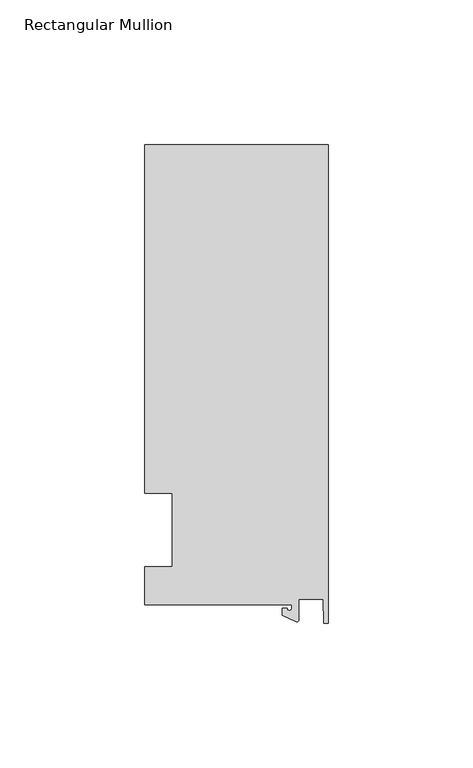
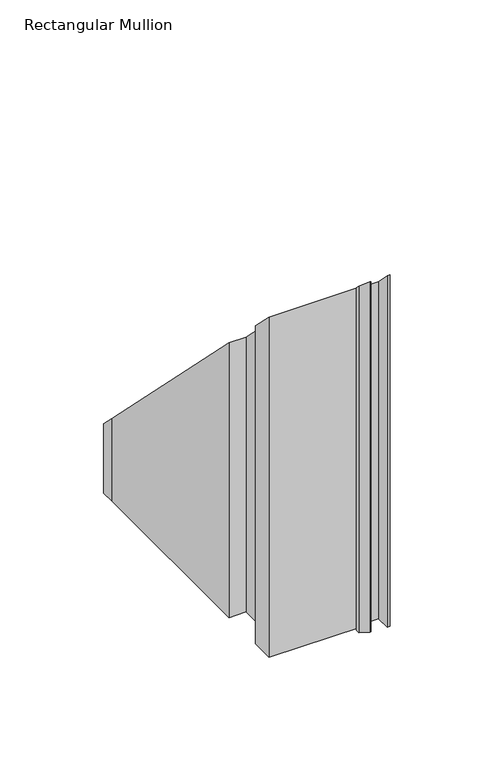
"""IFC4 building model written with IfcOpenShell, lengths in millimetres: member geometry, Rectangular Mullion."""

from ifc_helpers import new_model, si_unit, frame, origin, place, context, project, spatial, polyline, circle_curve, ellipse_curve, source, transform, mapped, element, save
from ifc_brep_helpers import plane_surface, cylinder_surface, revolved_surface, advanced_brep


def rectangular_mullion_55875f87(model_context):
    return source(origin(), model_context, "Body", "AdvancedBrep", [
        advanced_brep(
        [(-12.6173814, -25.796875, -173.98365), (-63.5, -25.796875, -173.98365), (-63.5, -12.7, -173.98365), (-53.975, -12.7, -173.98365), (-53.975, 12.7, -173.98365), (-63.5, 12.7, -173.98365), (-63.5, 125.8114907, -173.98365), (-63.5, 133.34365, -173.98365), (0.0, 133.34365, -173.98365), (0.0, -32.288874, -173.98365), (-1.5658966, -32.288874, -173.98365), (-1.7144124, -23.9227662, -173.98365), (-10.2297814, -23.9227662, -173.98365), (-10.2297814, -31.2414327, -173.98365), (-10.9524715, -31.7018371, -173.98365), (-15.7923814, -29.44495, -173.98365), (-15.7923814, -27.0827507, -173.98365), (-14.2048814, -27.0827507, -173.98365), (-12.6173814, -27.0827507, -173.98365), (-12.6173814, -27.0827507, 27.0827507), (-12.6173814, -25.796875, 25.796875), (-14.2048814, -27.0827507, 27.0827507), (-15.7923814, -27.0827507, 27.0827507), (-15.7923814, -29.44495, 29.44495), (-10.9524715, -31.7018371, 31.7018371), (-10.2297814, -31.2414327, 31.2414327), (-10.2297814, -23.9227662, 23.9227662), (-1.7144124, -23.9227662, 23.9227662), (-1.5658966, -32.288874, 32.288874), (0.0, -32.288874, 32.288874), (0.0, 133.34365, -133.34365), (-63.5, 133.34365, -133.34365), (-63.5, 125.8114907, -125.8114907), (-63.5, 12.7, -12.7), (-53.975, 12.7, -12.7), (-53.975, -12.7, 12.7), (-63.5, -12.7, 12.7), (-63.5, -25.796875, 25.796875)],
        [
            (0, 1),
            (1, 2),
            (2, 3),
            (3, 4),
            (4, 5),
            (5, 6),
            (6, 7),
            (7, 8),
            (8, 9),
            (9, 10),
            (10, 11),
            (11, 12),
            (12, 13),
            (13, 14, circle_curve(frame((-10.7377814, -31.2414327, -173.98365), z_axis=(0.0, 0.0, -1.0), x_axis=(-1.0, 0.0, 0.0)), 0.508)),
            (14, 15),
            (15, 16),
            (16, 17),
            (17, 18, circle_curve(frame((-13.4111314, -27.0827507, -173.98365), z_axis=(0.0, 0.0, 1.0), x_axis=(-1.0, 0.0, 0.0)), 0.79375)),
            (18, 0),
            (19, 20),
            (20, 0),
            (18, 19),
            (21, 19, ellipse_curve(frame((-13.4111314, -27.0827507, 27.0827507), z_axis=(0.0, 0.7071067811865498, 0.7071067811865454), x_axis=(0.0, 0.7071067811865454, -0.7071067811865497)), 1.122532, 0.79375)),
            (17, 21),
            (22, 21),
            (16, 22),
            (23, 22),
            (15, 23),
            (24, 23),
            (14, 24),
            (25, 24, ellipse_curve(frame((-10.7377814, -31.2414327, 31.2414327), z_axis=(0.0, -0.7071067811865498, -0.7071067811865454), x_axis=(0.0, -0.7071067811865454, 0.7071067811865497)), 0.7184205, 0.508)),
            (13, 25),
            (26, 25),
            (12, 26),
            (27, 26),
            (11, 27),
            (28, 27),
            (10, 28),
            (29, 28),
            (9, 29),
            (30, 29),
            (8, 30),
            (31, 30),
            (7, 31),
            (32, 31),
            (6, 32),
            (33, 32),
            (5, 33),
            (34, 33),
            (4, 34),
            (35, 34),
            (3, 35),
            (36, 35),
            (2, 36),
            (37, 36),
            (1, 37),
            (20, 37),
        ],
        [
            plane_surface(frame((0.0, -147.6914994, -173.98365), z_axis=(0.0, 0.0, -1.0), x_axis=(-1.0, 0.0, 0.0))),
            plane_surface(frame((-12.6173814, -25.796875, 0.0), z_axis=(-1.0, 0.0, 0.0), x_axis=(0.0, 0.0, -1.0))),
            revolved_surface(polyline([(-14.2048814, -27.0827507, -173.98365), (-14.2048814, -27.0827507, 27.876500689298897)]), (-13.4111314, -27.0827507, 0.0), (0.0, 0.0, -1.0)),
            plane_surface(frame((-14.2048814, -27.0827507, 0.0), z_axis=(0.0, 1.0, 0.0), x_axis=(0.0, 0.0, -1.0))),
            plane_surface(frame((-15.7923814, -27.0827507, 0.0), z_axis=(-1.0, 0.0, 0.0), x_axis=(0.0, 0.0, -1.0))),
            plane_surface(frame((-15.7923814, -29.44495, 0.0), z_axis=(-0.4226182617406985, -0.9063077870366505, 0.0), x_axis=(0.0, 0.0, -1.0))),
            cylinder_surface(frame((-10.7377814, -31.2414327, 0.0), z_axis=(0.0, 0.0, 1.0), x_axis=(-1.0, 0.0, 0.0)), 0.508),
            plane_surface(frame((-10.2297814, -31.2414327, 0.0), z_axis=(1.0, 0.0, 0.0), x_axis=(0.0, 0.0, -1.0))),
            plane_surface(frame((-10.2297814, -23.9227662, 0.0), z_axis=(0.0, -1.0, 0.0), x_axis=(0.0, 0.0, -1.0))),
            plane_surface(frame((-1.7144124, -23.9227662, 0.0), z_axis=(-0.9998424690407919, -0.017749284560600327, 0.0), x_axis=(0.0, 0.0, -1.0))),
            plane_surface(frame((-1.5658966, -32.288874, 0.0), z_axis=(0.0, -1.0, 0.0), x_axis=(0.0, 0.0, -1.0))),
            plane_surface(frame((0.0, -32.288874, 0.0), z_axis=(1.0, 0.0, 0.0), x_axis=(0.0, 0.0, -1.0))),
            plane_surface(frame((0.0, 133.34365, 0.0), z_axis=(0.0, 1.0, 0.0), x_axis=(0.0, 0.0, -1.0))),
            plane_surface(frame((-63.5, 133.34365, 0.0), z_axis=(-1.0, 0.0, 0.0), x_axis=(0.0, 0.0, -1.0))),
            plane_surface(frame((-63.5, 125.8114907, 0.0), z_axis=(-1.0, 0.0, 0.0), x_axis=(0.0, 0.0, -1.0))),
            plane_surface(frame((-63.5, 12.7, 0.0), z_axis=(0.0, -1.0, 0.0), x_axis=(0.0, 0.0, -1.0))),
            plane_surface(frame((-53.975, 12.7, 0.0), z_axis=(-1.0, 0.0, 0.0), x_axis=(0.0, 0.0, -1.0))),
            plane_surface(frame((-53.975, -12.7, 0.0), z_axis=(0.0, 1.0, 0.0), x_axis=(0.0, 0.0, -1.0))),
            plane_surface(frame((-63.5, -12.7, 0.0), z_axis=(-1.0, 0.0, 0.0), x_axis=(0.0, 0.0, -1.0))),
            plane_surface(frame((-63.5, -25.796875, 0.0), z_axis=(0.0, -1.0, 0.0), x_axis=(0.0, 0.0, -1.0))),
            plane_surface(frame((-304.8, 0.0, 0.0), z_axis=(0.0, 0.7071067811865498, 0.7071067811865454), x_axis=(0.0, 0.7071067811865454, -0.7071067811865498))),
        ],
        [
            (0, [[1, 2, 3, 4, 5, 6, 7, 8, 9, 10, 11, 12, 13, 14, 15, 16, 17, 18, 19]]),
            (1, [[20, 21, -19, 22]]),
            (2, [[23, -22, -18, 24]]),
            (3, [[25, -24, -17, 26]]),
            (4, [[27, -26, -16, 28]]),
            (5, [[29, -28, -15, 30]]),
            (6, [[31, -30, -14, 32]]),
            (7, [[33, -32, -13, 34]]),
            (8, [[35, -34, -12, 36]]),
            (9, [[37, -36, -11, 38]]),
            (10, [[39, -38, -10, 40]]),
            (11, [[41, -40, -9, 42]]),
            (12, [[43, -42, -8, 44]]),
            (13, [[45, -44, -7, 46]]),
            (14, [[47, -46, -6, 48]]),
            (15, [[49, -48, -5, 50]]),
            (16, [[51, -50, -4, 52]]),
            (17, [[53, -52, -3, 54]]),
            (18, [[55, -54, -2, 56]]),
            (19, [[57, -56, -1, -21]]),
            (20, [[-20, -23, -25, -27, -29, -31, -33, -35, -37, -39, -41, -43, -45, -47, -49, -51, -53, -55, -57]]),
        ],
    ),
    ])


if __name__ == "__main__":
    model = new_model("IFC4")
    model_context = context("Model", 3, world=origin())
    ifc_project = project(units=[si_unit("LENGTHUNIT", "METRE", prefix="MILLI")], contexts=[model_context])
    site = spatial("IfcSite", under=ifc_project)
    building = spatial("IfcBuilding", under=site)
    placement = place(None, origin())
    rectangular_mullion_shape = rectangular_mullion_55875f87(model_context)
    element("IfcMember", 1, ObjectType="Rectangular Mullion", at=placement, inside=building, context=model_context, shape_type="MappedRepresentation", body=[
        mapped(rectangular_mullion_shape, transform((0.0, 0.0, 0.0), x_axis=(1.0, 0.0, 0.0), y_axis=(0.0, 1.0, 0.0), z_axis=(0.0, 0.0, 1.0))),
    ])
    save(model, "model.ifc")
